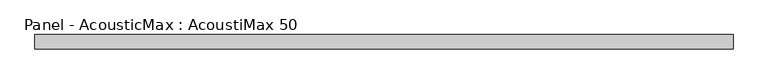
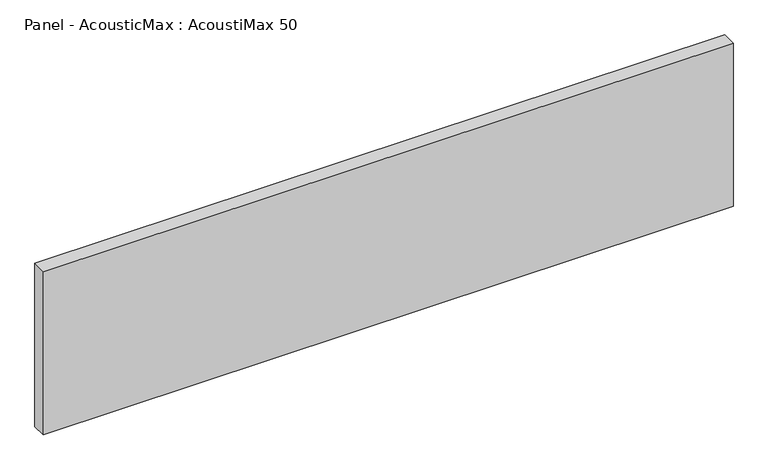
"""IFC4 building model written with IfcOpenShell, lengths in millimetres: plate geometry, Panel - AcousticMax : AcoustiMax 50."""

from ifc_helpers import new_model, si_unit, origin, origin_with_axes, place, context, project, spatial, polyline, outline, extrude, source, transform, mapped, element, save


def panel_acousticmax_acoustimax_50_4102e559(model_context):
    return source(origin(), model_context, "Body", "SweptSolid", [
        extrude(outline(polyline([(1200.2732414, -25.0), (-1199.7732414, -25.0), (-1199.7732414, 25.0), (1200.2732414, 25.0), (1200.2732414, -25.0)])), origin_with_axes(), (0.0, 0.0, 1.0), 600.0),
    ])


if __name__ == "__main__":
    model = new_model("IFC4")
    model_context = context("Model", 3, world=origin())
    ifc_project = project(units=[si_unit("LENGTHUNIT", "METRE", prefix="MILLI")], contexts=[model_context])
    site = spatial("IfcSite", under=ifc_project)
    building = spatial("IfcBuilding", under=site)
    placement = place(None, origin())
    panel_acousticmax_acoustimax_50_shape = panel_acousticmax_acoustimax_50_4102e559(model_context)
    element("IfcPlate", 1, ObjectType="Panel - AcousticMax : AcoustiMax 50", at=placement, inside=building, context=model_context, shape_type="MappedRepresentation", body=[
        mapped(panel_acousticmax_acoustimax_50_shape, transform((0.0, 0.0, 0.0), x_axis=(1.0, 0.0, 0.0), y_axis=(0.0, 1.0, 0.0), z_axis=(0.0, 0.0, 1.0))),
    ])
    save(model, "model.ifc")
